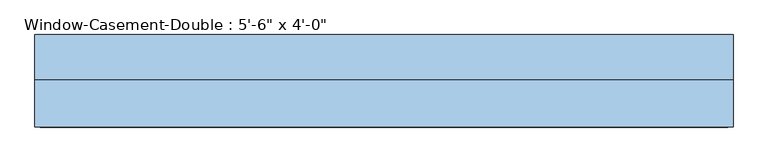
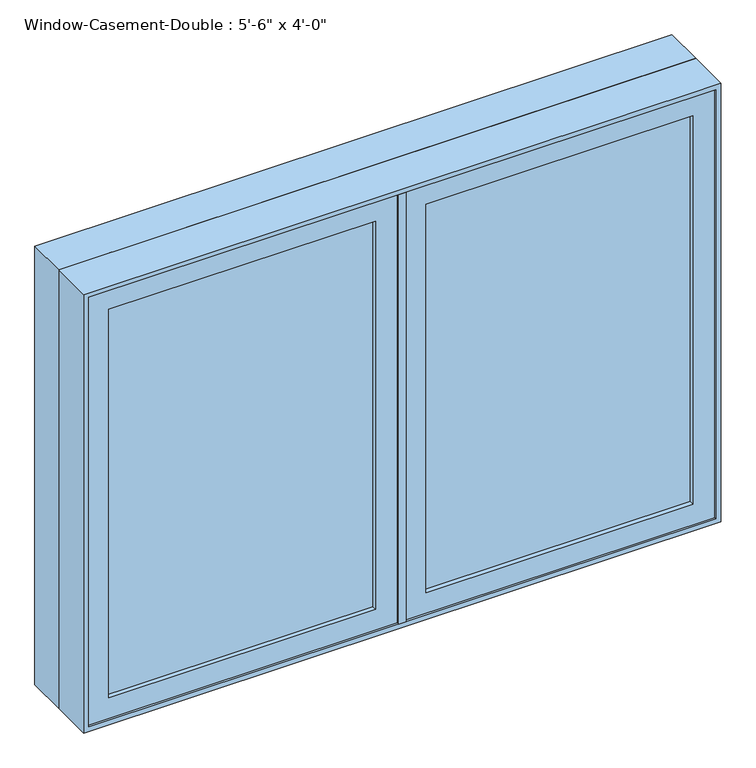
"""IFC4 building model written with IfcOpenShell, lengths in millimetres: window geometry."""

from ifc_helpers import new_model, si_unit, frame, origin, place, context, project, spatial, polyline, outline, extrude, faceted_brep, source, transform, mapped, element, save


def window_4f207fb4(model_context):
    return source(origin(), model_context, "Body", "SolidModel", [
        faceted_brep([(9.525, -120.65, 2120.9), (9.525, -69.85, 2120.9), (-9.525, -69.85, 2120.9), (-9.525, -120.65, 2120.9), (9.525, -120.65, 927.1), (-9.525, -120.65, 927.1), (-9.525, -69.85, 927.1), (9.525, -69.85, 927.1), (-9.525, -69.85, 2101.85), (-9.525, -69.85, 946.15), (-30.1625, -69.85, 2101.85), (-30.1625, -69.85, 946.15), (-30.1625, -6.35, 2101.85), (-30.1625, -6.35, 946.15), (30.1625, -6.35, 2101.85), (30.1625, -6.35, 946.15), (30.1625, -69.85, 2101.85), (30.1625, -69.85, 946.15), (9.525, -69.85, 2101.85), (9.525, -69.85, 946.15)], [[[0, 1, 2, 3]], [[4, 5, 6, 7]], [[3, 5, 4, 0]], [[2, 8, 9, 6, 5, 3]], [[8, 10, 11, 9]], [[10, 12, 13, 11]], [[12, 14, 15, 13]], [[14, 16, 17, 15]], [[16, 18, 19, 17]], [[0, 4, 7, 19, 18, 1]], [[8, 2, 1, 18]], [[19, 7, 6, 9]], [[9, 11, 13, 15, 17, 19]], [[18, 16, 14, 12, 10, 8]]]),
        extrude(outline(polyline([(-66.675, -101.6), (-768.35, -101.6), (-768.35, -95.25), (-66.675, -95.25), (-66.675, -101.6)])), frame((0.0, 0.0, 984.25), z_axis=(0.0, 0.0, 1.0), x_axis=(1.0, 0.0, 0.0)), (0.0, 0.0, 1.0), 1079.5),
        extrude(outline(polyline([(-768.35, -82.55), (-66.675, -82.55), (-66.675, -88.9), (-768.35, -88.9), (-768.35, -82.55)])), frame((0.0, 0.0, 984.25), z_axis=(0.0, 0.0, 1.0), x_axis=(1.0, 0.0, 0.0)), (0.0, 0.0, 1.0), 1079.5),
        extrude(outline(polyline([(768.35, -101.6), (66.675, -101.6), (66.675, -95.25), (768.35, -95.25), (768.35, -101.6)])), frame((0.0, 0.0, 984.25), z_axis=(0.0, 0.0, 1.0), x_axis=(1.0, 0.0, 0.0)), (0.0, 0.0, 1.0), 1079.5),
        extrude(outline(polyline([(66.675, -82.55), (768.35, -82.55), (768.35, -88.9), (66.675, -88.9), (66.675, -82.55)])), frame((0.0, 0.0, 984.25), z_axis=(0.0, 0.0, 1.0), x_axis=(1.0, 0.0, 0.0)), (0.0, 0.0, 1.0), 1079.5),
        extrude(outline(polyline([(2120.9, -9.525), (2120.9, -825.5), (927.1, -825.5), (927.1, -9.525), (2120.9, -9.525)]), holes=[polyline([(2063.75, -768.35), (2063.75, -66.675), (984.25, -66.675), (984.25, -768.35), (2063.75, -768.35)])]), frame((0.0, -114.3, 0.0), z_axis=(0.0, 1.0, 0.0), x_axis=(0.0, 0.0, 1.0)), (0.0, 0.0, 1.0), 44.45),
        extrude(outline(polyline([(927.1, 9.525), (927.1, 825.5), (2120.9, 825.5), (2120.9, 9.525), (927.1, 9.525)]), holes=[polyline([(984.25, 768.35), (984.25, 66.675), (2063.75, 66.675), (2063.75, 768.35), (984.25, 768.35)])]), frame((0.0, -114.3, 0.0), z_axis=(0.0, 1.0, 0.0), x_axis=(0.0, 0.0, 1.0)), (0.0, 0.0, 1.0), 44.45),
        extrude(outline(polyline([(2133.6, -838.2), (914.4, -838.2), (914.4, 838.2), (2133.6, 838.2), (2133.6, -838.2)]), holes=[polyline([(2114.55, 819.15), (933.45, 819.15), (933.45, -819.15), (2114.55, -819.15), (2114.55, 819.15)])]), frame((0.0, -6.35, 0.0), z_axis=(0.0, 1.0, 0.0), x_axis=(0.0, 0.0, 1.0)), (0.0, 0.0, 1.0), 107.95),
        faceted_brep([(806.45, -69.85, 2101.85), (-806.45, -69.85, 2101.85), (-806.45, -6.35, 2101.85), (806.45, -6.35, 2101.85), (825.5, -120.65, 2120.9), (-825.5, -120.65, 2120.9), (-825.5, -69.85, 2120.9), (825.5, -69.85, 2120.9), (838.2, -6.35, 2133.6), (-838.2, -6.35, 2133.6), (-838.2, -120.65, 2133.6), (838.2, -120.65, 2133.6), (-806.45, -69.85, 946.15), (-806.45, -6.35, 946.15), (-825.5, -120.65, 927.1), (-825.5, -69.85, 927.1), (-838.2, -6.35, 914.4), (-838.2, -120.65, 914.4), (806.45, -69.85, 946.15), (806.45, -6.35, 946.15), (825.5, -120.65, 927.1), (825.5, -69.85, 927.1), (838.2, -6.35, 914.4), (838.2, -120.65, 914.4)], [[[0, 1, 2, 3]], [[4, 5, 6, 7]], [[8, 9, 10, 11]], [[1, 12, 13, 2]], [[5, 14, 15, 6]], [[9, 16, 17, 10]], [[12, 18, 19, 13]], [[14, 20, 21, 15]], [[16, 22, 23, 17]], [[9, 8, 22, 16], [3, 2, 13, 19]], [[18, 0, 3, 19]], [[7, 6, 15, 21], [1, 0, 18, 12]], [[20, 4, 7, 21]], [[22, 8, 11, 23]], [[11, 10, 17, 23], [5, 4, 20, 14]]]),
    ])


if __name__ == "__main__":
    model = new_model("IFC4")
    model_context = context("Model", 3, world=origin())
    ifc_project = project(units=[si_unit("LENGTHUNIT", "METRE", prefix="MILLI")], contexts=[model_context])
    site = spatial("IfcSite", under=ifc_project)
    building = spatial("IfcBuilding", under=site)
    placement = place(None, origin())
    window_shape = window_4f207fb4(model_context)
    element("IfcWindow", 1, ObjectType="Window-Casement-Double : 5'-6\" x 4'-0\"", at=placement, inside=building, context=model_context, shape_type="MappedRepresentation", body=[
        mapped(window_shape, transform((0.0, 0.0, 0.0), x_axis=(1.0, 0.0, 0.0), y_axis=(0.0, 1.0, 0.0), z_axis=(0.0, 0.0, 1.0))),
    ])
    save(model, "model.ifc")
